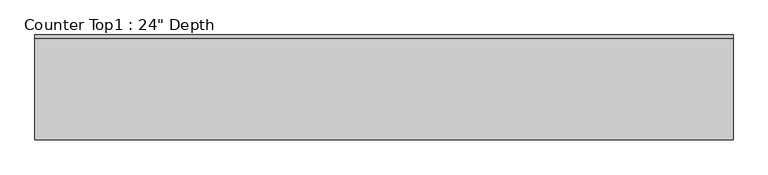
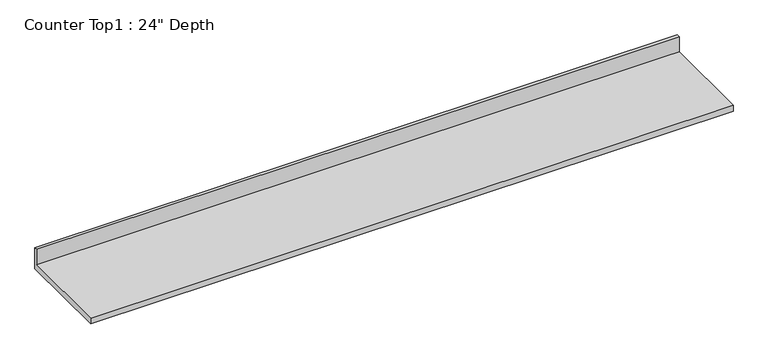
"""IFC4 building model written with IfcOpenShell, lengths in millimetres: furniture geometry."""

from ifc_helpers import new_model, si_unit, frame, origin, place, context, project, spatial, polyline, outline, extrude, source, transform, mapped, element, save


def furniture_00752b30(model_context):
    return source(origin(), model_context, "Body", "SweptSolid", [
        extrude(outline(polyline([(0.0, 1016.0), (0.0, 876.3), (-609.6, 876.3), (-609.6, 914.4), (-19.05, 914.4), (-19.05, 1016.0), (0.0, 1016.0)])), frame((-1200.4622951, 0.0, 0.0), z_axis=(1.0, 0.0, 0.0), x_axis=(0.0, 1.0, 0.0)), (0.0, 0.0, 1.0), 4064.0),
    ])


if __name__ == "__main__":
    model = new_model("IFC4")
    model_context = context("Model", 3, world=origin())
    ifc_project = project(units=[si_unit("LENGTHUNIT", "METRE", prefix="MILLI")], contexts=[model_context])
    site = spatial("IfcSite", under=ifc_project)
    building = spatial("IfcBuilding", under=site)
    placement = place(None, origin())
    furniture_shape = furniture_00752b30(model_context)
    element("IfcFurniture", 1, ObjectType="Counter Top1 : 24\" Depth", at=placement, inside=building, context=model_context, shape_type="MappedRepresentation", body=[
        mapped(furniture_shape, transform((0.0, 0.0, 0.0), x_axis=(1.0, 0.0, 0.0), y_axis=(0.0, 1.0, 0.0), z_axis=(0.0, 0.0, 1.0))),
    ])
    save(model, "model.ifc")
